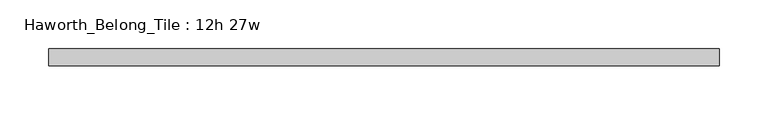
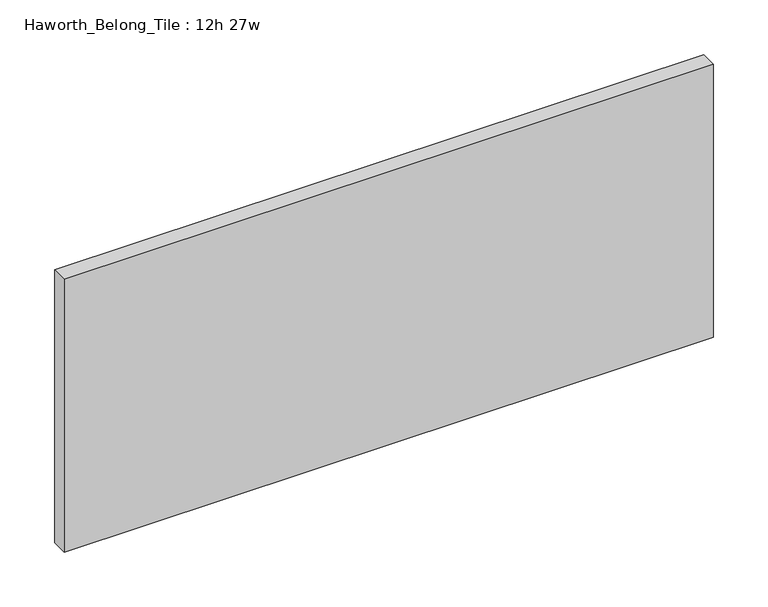
"""IFC4 building model written with IfcOpenShell, lengths in millimetres: furniture geometry, Haworth_Belong_Tile : 12h 27w."""

from ifc_helpers import new_model, si_unit, frame, origin, place, context, project, spatial, polyline, outline, extrude, source, transform, mapped, element, save


def haworth_belong_tile_12h_27w_c9e0e899(model_context):
    return source(origin(), model_context, "Body", "SweptSolid", [
        extrude(outline(polyline([(342.9, 8.73125), (342.9, -8.73125), (-342.9, -8.73125), (-342.9, 8.73125), (342.9, 8.73125)])), frame((0.0, 0.0, 812.8), z_axis=(0.0, 0.0, 1.0), x_axis=(1.0, 0.0, 0.0)), (0.0, 0.0, 1.0), 304.8),
    ])


if __name__ == "__main__":
    model = new_model("IFC4")
    model_context = context("Model", 3, world=origin())
    ifc_project = project(units=[si_unit("LENGTHUNIT", "METRE", prefix="MILLI")], contexts=[model_context])
    site = spatial("IfcSite", under=ifc_project)
    building = spatial("IfcBuilding", under=site)
    placement = place(None, origin())
    haworth_belong_tile_12h_27w_shape = haworth_belong_tile_12h_27w_c9e0e899(model_context)
    element("IfcFurniture", 1, ObjectType="Haworth_Belong_Tile : 12h 27w", at=placement, inside=building, context=model_context, shape_type="MappedRepresentation", body=[
        mapped(haworth_belong_tile_12h_27w_shape, transform((0.0, 0.0, 0.0), x_axis=(1.0, 0.0, 0.0), y_axis=(0.0, 1.0, 0.0), z_axis=(0.0, 0.0, 1.0))),
    ])
    save(model, "model.ifc")
